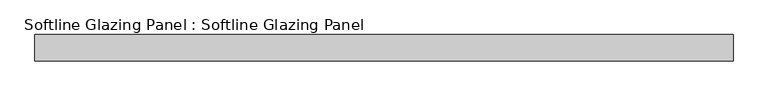
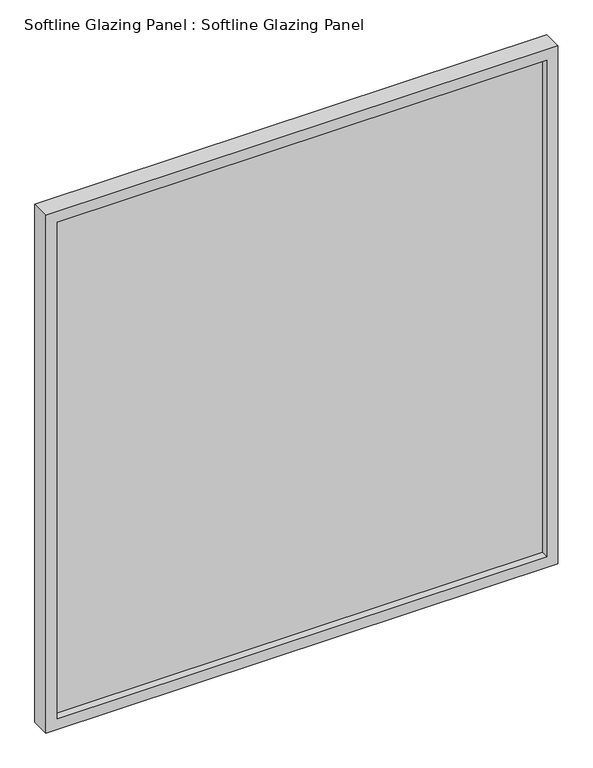
"""IFC4 building model written with IfcOpenShell, lengths in millimetres: plate geometry, Softline Glazing Panel : Softline Glazing Panel."""

from ifc_helpers import new_model, si_unit, frame, origin, place, context, project, spatial, polyline, outline, extrude, faceted_brep, source, transform, mapped, element, save


def softline_glazing_panel_softline_glazing_panel_d02b8bcd(model_context):
    return source(origin(), model_context, "Body", "SolidModel", [
        extrude(outline(polyline([(584.0, 4.0), (584.0, -4.0), (-584.0, -4.0), (-584.0, 4.0), (584.0, 4.0)])), frame((0.0, 0.0, 16.0), z_axis=(0.0, 0.0, 1.0), x_axis=(1.0, 0.0, 0.0)), (0.0, 0.0, 1.0), 1251.0),
        faceted_brep([(574.0, 4.0, 26.0), (574.0, 22.5, 26.0), (-574.0, 22.5, 26.0), (-574.0, 4.0, 26.0), (584.0, -4.0, 16.0), (584.0, 4.0, 16.0), (-584.0, 4.0, 16.0), (-584.0, -4.0, 16.0), (574.0, -22.5, 26.0), (574.0, -4.0, 26.0), (-574.0, -4.0, 26.0), (-574.0, -22.5, 26.0), (600.0, 22.5, 0.0), (600.0, -22.5, 0.0), (-600.0, -22.5, 0.0), (-600.0, 22.5, 0.0), (-574.0, 22.5, 1257.0), (-574.0, 4.0, 1257.0), (-584.0, 4.0, 1267.0), (-584.0, -4.0, 1267.0), (-574.0, -4.0, 1257.0), (-574.0, -22.5, 1257.0), (-600.0, -22.5, 1283.0), (-600.0, 22.5, 1283.0), (574.0, 22.5, 1257.0), (574.0, 4.0, 1257.0), (584.0, 4.0, 1267.0), (584.0, -4.0, 1267.0), (574.0, -4.0, 1257.0), (574.0, -22.5, 1257.0), (600.0, -22.5, 1283.0), (600.0, 22.5, 1283.0)], [[[0, 1, 2, 3]], [[4, 5, 6, 7]], [[8, 9, 10, 11]], [[12, 13, 14, 15]], [[3, 2, 16, 17]], [[7, 6, 18, 19]], [[11, 10, 20, 21]], [[15, 14, 22, 23]], [[17, 16, 24, 25]], [[19, 18, 26, 27]], [[21, 20, 28, 29]], [[23, 22, 30, 31]], [[15, 23, 31, 12], [1, 24, 16, 2]], [[25, 24, 1, 0]], [[5, 26, 18, 6], [3, 17, 25, 0]], [[27, 26, 5, 4]], [[7, 19, 27, 4], [9, 28, 20, 10]], [[29, 28, 9, 8]], [[13, 30, 22, 14], [11, 21, 29, 8]], [[31, 30, 13, 12]]]),
    ])


if __name__ == "__main__":
    model = new_model("IFC4")
    model_context = context("Model", 3, world=origin())
    ifc_project = project(units=[si_unit("LENGTHUNIT", "METRE", prefix="MILLI")], contexts=[model_context])
    site = spatial("IfcSite", under=ifc_project)
    building = spatial("IfcBuilding", under=site)
    placement = place(None, origin())
    softline_glazing_panel_softline_glazing_panel_shape = softline_glazing_panel_softline_glazing_panel_d02b8bcd(model_context)
    element("IfcPlate", 1, ObjectType="Softline Glazing Panel : Softline Glazing Panel", at=placement, inside=building, context=model_context, shape_type="MappedRepresentation", body=[
        mapped(softline_glazing_panel_softline_glazing_panel_shape, transform((0.0, 0.0, 0.0), x_axis=(1.0, 0.0, 0.0), y_axis=(0.0, 1.0, 0.0), z_axis=(0.0, 0.0, 1.0))),
    ])
    save(model, "model.ifc")
